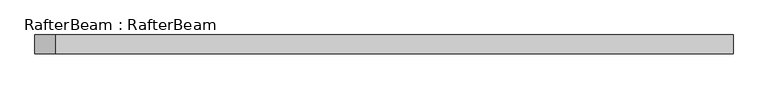
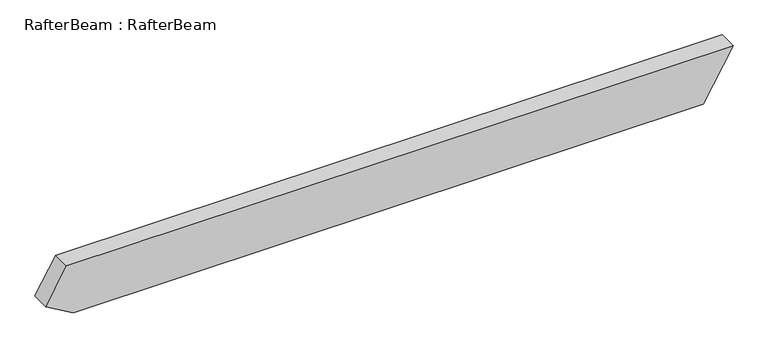
"""IFC4 building model written with IfcOpenShell, lengths in millimetres: beam geometry, RafterBeam : RafterBeam."""

from ifc_helpers import new_model, si_unit, frame, origin, place, context, project, spatial, polyline, outline, extrude, source, transform, mapped, element, save


def rafterbeam_rafterbeam_39bcdf68(model_context):
    return source(origin(), model_context, "Body", "SweptSolid", [
        extrude(outline(polyline([(-70.0, 819.8373822), (70.0, 900.6664199), (70.0, -900.6664199), (-26.6987298, -956.4954576), (-70.0, -881.4954576), (-70.0, 819.8373822)])), frame((0.0, -25.0, 0.0), z_axis=(0.0, 1.0, 0.0), x_axis=(0.0, 0.0, 1.0)), (0.0, 0.0, 1.0), 50.0),
    ])


if __name__ == "__main__":
    model = new_model("IFC4")
    model_context = context("Model", 3, world=origin())
    ifc_project = project(units=[si_unit("LENGTHUNIT", "METRE", prefix="MILLI")], contexts=[model_context])
    site = spatial("IfcSite", under=ifc_project)
    building = spatial("IfcBuilding", under=site)
    placement = place(None, origin())
    rafterbeam_rafterbeam_shape = rafterbeam_rafterbeam_39bcdf68(model_context)
    element("IfcBeam", 1, ObjectType="RafterBeam : RafterBeam", at=placement, inside=building, context=model_context, shape_type="MappedRepresentation", body=[
        mapped(rafterbeam_rafterbeam_shape, transform((0.0, 0.0, 0.0), x_axis=(1.0, 0.0, 0.0), y_axis=(0.0, 1.0, 0.0), z_axis=(0.0, 0.0, 1.0))),
    ])
    save(model, "model.ifc")
